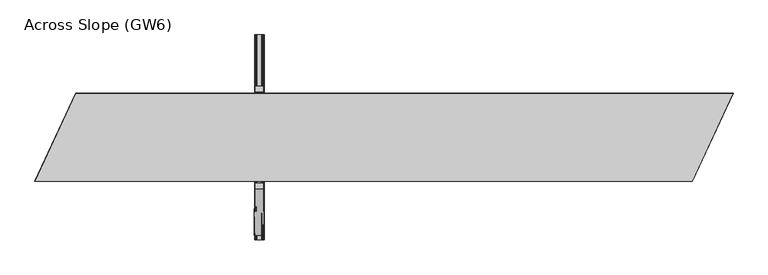
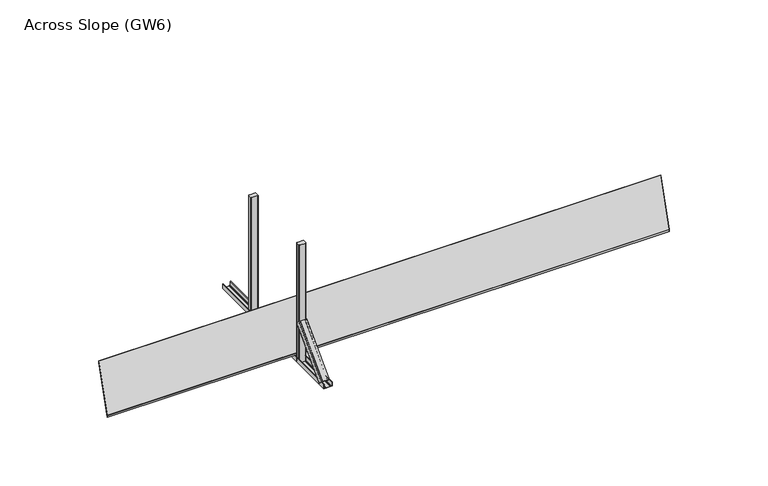
"""IFC4 building model written with IfcOpenShell, lengths in millimetres: proxy geometry, Across Slope (GW6)."""

import ifcopenshell
import ifcopenshell.guid

model = None  # the IFC model being written
_history = None  # IfcOwnerHistory: only IFC2X3 demands one
_inside = {}  # id of a spatial element -> (the spatial element, [elements in it])
_under = {}  # id of a project, library or spatial element -> (it, [spatial elements below it])
_declared = {}  # id of a project -> (the project, [libraries it declares])
_typed = {}  # id of a type object -> (the type object, [elements of that type])
_made_of = {}  # id of a material, layer set ... -> (it, [elements and type objects made of it])


def new_model(schema):
    """Start an empty IFC model of exactly this schema.

    Asked for "IFC4X3", IfcOpenShell would pick the latest addendum, in which some entities
    have other attributes; the version numbers below select the first issue.
    IFC2X3 requires an IfcOwnerHistory on every rooted entity: one is made here for all.
    """
    global model, _history
    if schema == "IFC4X3":
        model = ifcopenshell.file(schema_version=(4, 3, 0, 0))
    else:
        model = ifcopenshell.file(schema=schema)
    _inside.clear()
    _under.clear()
    _declared.clear()
    _typed.clear()
    _made_of.clear()
    _history = None
    if model.schema == "IFC2X3":
        org = make("IfcOrganization", Name="unknown")
        user = make(
            "IfcPersonAndOrganization",
            ThePerson=make("IfcPerson", FamilyName="unknown"),
            TheOrganization=org,
        )
        app = make(
            "IfcApplication",
            ApplicationDeveloper=org,
            Version="unknown",
            ApplicationFullName="unknown",
            ApplicationIdentifier="unknown",
        )
        _history = make(
            "IfcOwnerHistory",
            OwningUser=user,
            OwningApplication=app,
            ChangeAction="ADDED",
            CreationDate=0,
        )
    return model


def make(cls, **values):
    """One entity of the class cls with the attributes given. An attribute that is None is left unset."""
    return model.create_entity(
        cls, **{name: value for name, value in values.items() if value is not None}
    )


def rooted(cls, **values):
    """An entity with a GlobalId (a new one), such as an element, a storey or a relation."""
    return make(cls, GlobalId=ifcopenshell.guid.new(), OwnerHistory=_history, **values)


def si_unit(unit_type, name, prefix=None):
    """IfcSIUnit, for example si_unit("LENGTHUNIT", "METRE", prefix="MILLI")."""
    return make("IfcSIUnit", UnitType=unit_type, Prefix=prefix, Name=name)


def assignment(units):
    """IfcUnitAssignment: the units of a project."""
    return None if units is None else make("IfcUnitAssignment", Units=units)


def point(xyz):
    """IfcCartesianPoint."""
    return None if xyz is None else make("IfcCartesianPoint", Coordinates=xyz)


def direction(xyz):
    """IfcDirection."""
    return None if xyz is None else make("IfcDirection", DirectionRatios=xyz)


def frame(location, z_axis=None, x_axis=None):
    """IfcAxis2Placement3D, a coordinate frame: its origin and axes. An axis left out is left unset."""
    return make(
        "IfcAxis2Placement3D",
        Location=point(location),
        Axis=direction(z_axis),
        RefDirection=direction(x_axis),
    )


def frame_2d(location, x_axis=None):
    """IfcAxis2Placement2D, a coordinate frame in the plane: its origin and x axis."""
    return make(
        "IfcAxis2Placement2D", Location=point(location), RefDirection=direction(x_axis)
    )


def origin():
    """The frame at (0, 0, 0) with its axes left unset."""
    return frame((0.0, 0.0, 0.0))


def origin_with_axes():
    """The frame at (0, 0, 0) with the z axis (0, 0, 1) and the x axis (1, 0, 0) written out."""
    return frame((0.0, 0.0, 0.0), z_axis=(0.0, 0.0, 1.0), x_axis=(1.0, 0.0, 0.0))


def place(relative_to, where):
    """IfcLocalPlacement: puts the frame where relative to a parent placement (None: the world)."""
    return make(
        "IfcLocalPlacement", PlacementRelTo=relative_to, RelativePlacement=where
    )


def context(
    kind, dimensions, precision=None, world=None, true_north=None, identifier=None
):
    """IfcGeometricRepresentationContext, for example the 3D "Model" context."""
    return make(
        "IfcGeometricRepresentationContext",
        ContextIdentifier=identifier,
        ContextType=kind,
        CoordinateSpaceDimension=dimensions,
        Precision=precision,
        WorldCoordinateSystem=world,
        TrueNorth=true_north,
    )


def project(units=None, contexts=None):
    """IfcProject with its units and contexts."""
    return rooted(
        "IfcProject",
        Name="project",
        RepresentationContexts=contexts,
        UnitsInContext=assignment(units),
    )


def spatial(cls, under=None, at=None, **own):
    """A site, building, storey or space (cls), placed at a placement, below another one or the project."""
    s = rooted(cls, ObjectPlacement=at, **own)
    if under is not None:
        _under.setdefault(under.id(), (under, []))[1].append(s)
    return s


def polyline(points):
    """IfcPolyline through the points."""
    return make("IfcPolyline", Points=[point(p) for p in points])


def circle_curve(where, radius):
    """IfcCircle in the frame where."""
    return make("IfcCircle", Position=where, Radius=radius)


def trimmed(basis, trim1, trim2, sense, master):
    """IfcTrimmedCurve: the piece of a basis curve between two trims."""
    return make(
        "IfcTrimmedCurve",
        BasisCurve=basis,
        Trim1=trim1,
        Trim2=trim2,
        SenseAgreement=sense,
        MasterRepresentation=master,
    )


def segment(curve, same_sense, transition):
    """IfcCompositeCurveSegment."""
    return make(
        "IfcCompositeCurveSegment",
        Transition=transition,
        SameSense=same_sense,
        ParentCurve=curve,
    )


def composite_curve(segments, self_intersect=None):
    """IfcCompositeCurve: segments joined end to end."""
    return make("IfcCompositeCurve", Segments=segments, SelfIntersect=self_intersect)


def outline(outer, holes=None, kind="AREA"):
    """IfcArbitraryClosedProfileDef: a profile drawn as a closed curve; with holes, ...WithVoids."""
    if holes is None:
        return make("IfcArbitraryClosedProfileDef", ProfileType=kind, OuterCurve=outer)
    return make(
        "IfcArbitraryProfileDefWithVoids",
        ProfileType=kind,
        OuterCurve=outer,
        InnerCurves=holes,
    )


def extrude(swept, where, along, depth):
    """IfcExtrudedAreaSolid: the profile swept, set in the frame where, extruded along a direction by depth."""
    return make(
        "IfcExtrudedAreaSolid",
        SweptArea=swept,
        Position=where,
        ExtrudedDirection=direction(along),
        Depth=depth,
    )


def shape(context_of_items, identifier, shape_type, items):
    """IfcShapeRepresentation: the items that make up one representation, for example the "Body"."""
    return make(
        "IfcShapeRepresentation",
        ContextOfItems=context_of_items,
        RepresentationIdentifier=identifier,
        RepresentationType=shape_type,
        Items=items,
    )


def source(mapping_origin, context_of_items, identifier, shape_type, items):
    """IfcRepresentationMap: a shape defined once, which mapped items show again and again."""
    return make(
        "IfcRepresentationMap",
        MappingOrigin=mapping_origin,
        MappedRepresentation=shape(context_of_items, identifier, shape_type, items),
    )


def transform(
    local_origin,
    x_axis=None,
    y_axis=None,
    z_axis=None,
    scale=None,
    scale2=None,
    scale3=None,
    uniform=True,
):
    """IfcCartesianTransformationOperator3D, or its non-uniform kind. x_axis, y_axis, z_axis: its Axis1, 2, 3."""
    if uniform:
        return make(
            "IfcCartesianTransformationOperator3D",
            Axis1=direction(x_axis),
            Axis2=direction(y_axis),
            LocalOrigin=point(local_origin),
            Scale=scale,
            Axis3=direction(z_axis),
        )
    return make(
        "IfcCartesianTransformationOperator3DnonUniform",
        Axis1=direction(x_axis),
        Axis2=direction(y_axis),
        LocalOrigin=point(local_origin),
        Scale=scale,
        Axis3=direction(z_axis),
        Scale2=scale2,
        Scale3=scale3,
    )


def mapped(mapping_source, mapping_target):
    """IfcMappedItem: shows the shape of a source again, moved by a transform."""
    return make(
        "IfcMappedItem", MappingSource=mapping_source, MappingTarget=mapping_target
    )


def made_of(thing, what):
    """Note that an element or type object is made of a material, layer set ...; save() writes the relation."""
    if what is not None:
        _made_of.setdefault(what.id(), (what, []))[1].append(thing)
    return thing


def element(
    cls,
    number,
    at=None,
    inside=None,
    cuts=None,
    type_object=None,
    material=None,
    context=None,
    identifier="Body",
    shape_type=None,
    held_by="IfcProductDefinitionShape",
    body=None,
    shapes=None,
    **own,
):
    """One element of the class cls, such as IfcWall. Its Tag is "e" and its number.

    at: its placement. inside: the storey or other place that contains it. cuts: it is an
    opening in that element (IfcRelVoidsElement). A single representation is given by context,
    identifier, shape_type and body (its items); several are given by shapes. held_by: the class
    of the entity that holds the representations. save() writes the other relations.
    """
    e = rooted(cls, Tag="e%d" % number, ObjectPlacement=at, **own)
    if body is not None:
        shapes = [shape(context, identifier, shape_type, body)]
    if shapes is not None:
        e.Representation = make(held_by, Representations=shapes)
    if inside is not None:
        _inside.setdefault(inside.id(), (inside, []))[1].append(e)
    if cuts is not None:
        rooted(
            "IfcRelVoidsElement", RelatingBuildingElement=cuts, RelatedOpeningElement=e
        )
    if type_object is not None:
        _typed.setdefault(type_object.id(), (type_object, []))[1].append(e)
    return made_of(e, material)


def aggregate(whole, parts):
    """IfcRelAggregates: a whole, such as a stair, and the parts it consists of."""
    return rooted("IfcRelAggregates", RelatingObject=whole, RelatedObjects=parts)


def save(model, path):
    """Write the relations noted so far, then the file.

    IfcRelAggregates (storeys below a building ...), IfcRelContainedInSpatialStructure (elements
    in a storey), IfcRelDefinesByType, IfcRelAssociatesMaterial and IfcRelDeclares: one each for
    every whole, place, type object, material and project.
    """
    for whole, parts in _under.values():
        aggregate(whole, parts)
    for where, things in _inside.values():
        rooted(
            "IfcRelContainedInSpatialStructure",
            RelatedElements=things,
            RelatingStructure=where,
        )
    for kind, things in _typed.values():
        rooted("IfcRelDefinesByType", RelatedObjects=things, RelatingType=kind)
    for what, things in _made_of.values():
        rooted("IfcRelAssociatesMaterial", RelatedObjects=things, RelatingMaterial=what)
    for by, libraries in _declared.values():
        rooted("IfcRelDeclares", RelatingContext=by, RelatedDefinitions=libraries)
    model.write(path)


def plane_surface(at):
    """IfcPlane: the flat surface through the origin of the frame at, square to its z axis."""
    return make("IfcPlane", Position=at)


def extruded_surface(curve, direction_of_extrusion, depth):
    """IfcSurfaceOfLinearExtrusion: the curve pushed along a direction by depth."""
    return make(
        "IfcSurfaceOfLinearExtrusion",
        SweptCurve=make("IfcArbitraryOpenProfileDef", ProfileType="CURVE", Curve=curve),
        ExtrudedDirection=direction(direction_of_extrusion),
        Depth=depth,
    )


def advanced_brep(points, edges, surfaces, faces):
    """IfcAdvancedBrep: a solid bounded by faces that lie on surfaces and meet in shared edges.

    An edge is (start, end): straight between two places in points (the first is 0);
    or (start, end, curve); or (start, end, curve, False) where it runs against its curve.
    A face is (place in surfaces, loops), or (place, loops, False) where it looks against
    its surface's normal. A loop lists edges by number (the first is 1), with a minus sign
    where the edge is run from its end to its start. The first loop is the outer one.
    """
    corners = [point(p) for p in points]
    vertices = [make("IfcVertexPoint", VertexGeometry=c) for c in corners]
    made = []
    for start, end, *more in edges:
        made.append(
            make(
                "IfcEdgeCurve",
                EdgeStart=vertices[start],
                EdgeEnd=vertices[end],
                EdgeGeometry=more[0] if more else make("IfcPolyline", Points=[corners[start], corners[end]]),
                SameSense=more[1] if len(more) > 1 else True,
            )
        )
    hull = []
    for where, loops, *sense in faces:
        bounds = []
        for j, loop in enumerate(loops):
            ring = [make("IfcOrientedEdge", EdgeElement=made[abs(k) - 1], Orientation=k > 0) for k in loop]
            bounds.append(
                make(
                    "IfcFaceOuterBound" if j == 0 else "IfcFaceBound",
                    Bound=make("IfcEdgeLoop", EdgeList=ring),
                    Orientation=True,
                )
            )
        hull.append(make("IfcAdvancedFace", Bounds=bounds, FaceSurface=surfaces[where], SameSense=sense[0] if sense else True))
    return make("IfcAdvancedBrep", Outer=make("IfcClosedShell", CfsFaces=hull))


def across_slope_gw6_7597f09c(model_context):
    return source(origin(), model_context, "Body", "SolidModel", [
        extrude(outline(composite_curve([segment(trimmed(circle_curve(frame_2d((1555.5, 45.5)), 5.0), [point((1555.5, 50.5))], [point((1560.5, 45.5))], False, "CARTESIAN"), True, "CONTINUOUS"), segment(polyline([(1560.5, 45.5), (1560.5, 17.5)]), True, "CONTINUOUS"), segment(trimmed(circle_curve(frame_2d((1555.5, 17.5)), 5.0), [point((1560.5, 17.5))], [point((1555.5, 12.5))], False, "CARTESIAN"), True, "CONTINUOUS"), segment(polyline([(1555.5, 12.5), (1509.5, 12.5)]), True, "CONTINUOUS"), segment(trimmed(circle_curve(frame_2d((1509.5, 17.5)), 5.0), [point((1509.5, 12.5))], [point((1504.5, 17.5))], False, "CARTESIAN"), True, "CONTINUOUS"), segment(polyline([(1504.5, 17.5), (1504.5, 45.5)]), True, "CONTINUOUS"), segment(trimmed(circle_curve(frame_2d((1509.5, 45.5)), 5.0), [point((1504.5, 45.5))], [point((1509.5, 50.5))], False, "CARTESIAN"), True, "CONTINUOUS"), segment(polyline([(1509.5, 50.5), (1555.5, 50.5)]), True, "CONTINUOUS")], self_intersect=False)), origin_with_axes(), (0.0, 0.0, 1.0), 998.0),
        extrude(outline(composite_curve([segment(trimmed(circle_curve(frame_2d((1555.5, -617.5)), 5.0), [point((1555.5, -612.5))], [point((1560.5, -617.5))], False, "CARTESIAN"), True, "CONTINUOUS"), segment(polyline([(1560.5, -617.5), (1560.5, -645.5)]), True, "CONTINUOUS"), segment(trimmed(circle_curve(frame_2d((1555.5, -645.5)), 5.0), [point((1560.5, -645.5))], [point((1555.5, -650.5))], False, "CARTESIAN"), True, "CONTINUOUS"), segment(polyline([(1555.5, -650.5), (1509.5, -650.5)]), True, "CONTINUOUS"), segment(trimmed(circle_curve(frame_2d((1509.5, -645.5)), 5.0), [point((1509.5, -650.5))], [point((1504.5, -645.5))], False, "CARTESIAN"), True, "CONTINUOUS"), segment(polyline([(1504.5, -645.5), (1504.5, -617.5)]), True, "CONTINUOUS"), segment(trimmed(circle_curve(frame_2d((1509.5, -617.5)), 5.0), [point((1504.5, -617.5))], [point((1509.5, -612.5))], False, "CARTESIAN"), True, "CONTINUOUS"), segment(polyline([(1509.5, -612.5), (1555.5, -612.5)]), True, "CONTINUOUS")], self_intersect=False)), origin_with_axes(), (0.0, 0.0, 1.0), 998.0),
        advanced_brep(
        [(1497.0, -968.7087394, 38.0), (1497.0, -942.8993419, 12.1906025), (1500.0, -942.8993419, 12.1906025), (1500.0, -966.5874191, 35.8786797), (1510.0, -966.5874191, 35.8786797), (1510.0, -964.8196521, 34.1109127), (1511.0, -964.8196521, 34.1109127), (1511.0, -966.5874191, 35.8786797), (1548.0, -966.5874191, 35.8786797), (1548.0, -964.8196521, 34.1109127), (1549.0, -964.8196521, 34.1109127), (1549.0, -966.5874191, 35.8786797), (1559.0, -966.5874191, 35.8786797), (1559.0, -942.8993419, 12.1906025), (1562.0, -942.8993419, 12.1906025), (1562.0, -968.7087394, 38.0), (1500.0, -650.5106879, 356.1980515), (1565.0, -650.5106879, 356.1980515), (1565.0, -624.7012904, 330.388654), (1562.0, -624.7012904, 330.388654), (1562.0, -648.3893676, 354.0767312), (1552.0, -648.3893676, 354.0767312), (1552.0, -646.6216006, 352.3089642), (1551.0, -646.6216006, 352.3089642), (1551.0, -648.3893676, 354.0767312), (1514.0, -648.3893676, 354.0767312), (1514.0, -646.6216006, 352.3089642), (1513.0, -646.6216006, 352.3089642), (1513.0, -648.3893676, 354.0767312), (1503.0, -648.3893676, 354.0767312), (1503.0, -624.7012904, 330.388654), (1500.0, -624.7012904, 330.388654)],
        [
            (0, 1),
            (1, 2, circle_curve(frame((1498.5, -942.8993419, 12.1906025), z_axis=(0.0, -0.7071067811865432, -0.7071067811865519), x_axis=(0.0, 0.7071067811865519, -0.7071067811865432)), 1.5)),
            (2, 3),
            (3, 4),
            (4, 5),
            (5, 6, circle_curve(frame((1510.5, -964.8196521, 34.1109127), z_axis=(0.0, -0.7071067811865432, -0.7071067811865519), x_axis=(0.0, 0.7071067811865519, -0.7071067811865432)), 0.5)),
            (6, 7),
            (7, 8),
            (8, 9),
            (9, 10, circle_curve(frame((1548.5, -964.8196521, 34.1109127), z_axis=(0.0, -0.7071067811865432, -0.7071067811865519), x_axis=(0.0, 0.7071067811865519, -0.7071067811865432)), 0.5)),
            (10, 11),
            (11, 12),
            (12, 13),
            (13, 14, circle_curve(frame((1560.5, -942.8993419, 12.1906025), z_axis=(0.0, -0.7071067811865432, -0.7071067811865519), x_axis=(0.0, 0.7071067811865519, -0.7071067811865432)), 1.5)),
            (14, 15),
            (15, 0),
            (16, 17),
            (17, 18),
            (18, 19, circle_curve(frame((1563.5, -624.7012904, 330.388654), z_axis=(0.0, 0.7071067811865432, 0.7071067811865519), x_axis=(0.0, 0.7071067811865519, -0.7071067811865432)), 1.5)),
            (19, 20),
            (20, 21),
            (21, 22),
            (22, 23, circle_curve(frame((1551.5, -646.6216006, 352.3089642), z_axis=(0.0, 0.7071067811865432, 0.7071067811865519), x_axis=(0.0, 0.7071067811865519, -0.7071067811865432)), 0.5)),
            (23, 24),
            (24, 25),
            (25, 26),
            (26, 27, circle_curve(frame((1513.5, -646.6216006, 352.3089642), z_axis=(0.0, 0.7071067811865432, 0.7071067811865519), x_axis=(0.0, 0.7071067811865519, -0.7071067811865432)), 0.5)),
            (27, 28),
            (28, 29),
            (29, 30),
            (30, 31, circle_curve(frame((1501.5, -624.7012904, 330.388654), z_axis=(0.0, 0.7071067811865432, 0.7071067811865519), x_axis=(0.0, 0.7071067811865519, -0.7071067811865432)), 1.5)),
            (31, 16),
            (31, 1),
            (0, 16),
            (30, 2),
            (29, 3),
            (28, 4),
            (27, 5),
            (26, 6),
            (25, 7),
            (24, 8),
            (23, 9),
            (22, 10),
            (21, 11),
            (20, 12),
            (19, 13),
            (18, 14),
            (17, 15),
        ],
        [
            plane_surface(frame((1529.5, -960.4886231, 29.7798837), z_axis=(0.0, -0.707106781186543, -0.7071067811865521), x_axis=(0.0, 0.7071067811865521, -0.707106781186543))),
            plane_surface(frame((1532.5, -642.2905716, 347.9779352), z_axis=(0.0, 0.7071067811865432, 0.7071067811865519), x_axis=(0.0, 0.7071067811865519, -0.7071067811865432))),
            plane_surface(frame((1500.0, -637.6059891, 343.2933528), z_axis=(-0.9999777785184912, 0.004713940454842057, 0.004713940454841993), x_axis=(0.0, 0.7071067811865521, -0.707106781186543))),
            extruded_surface(trimmed(circle_curve(frame((1501.5, -624.7012904, 330.388654), z_axis=(0.0, -0.7071067811865432, -0.7071067811865519), x_axis=(0.0, 0.7071067811865519, -0.7071067811865432)), 1.5), [point((1500.0, -624.7012904, 330.388654))], [point((1503.0, -624.7012904, 330.388654))], True, "CARTESIAN"), (-3.0, -318.1980515, -318.19805149999996), 450.009999840885),
            plane_surface(frame((1503.0, -636.545329, 342.2326926), z_axis=(0.9999777785184912, -0.004713940454842057, -0.004713940454841993), x_axis=(0.0, -0.7071067811865521, 0.707106781186543))),
            plane_surface(frame((1508.0, -648.3893676, 354.0767312), z_axis=(0.0, 0.7071067811865525, -0.7071067811865427), x_axis=(1.0, 0.0, 0.0))),
            plane_surface(frame((1513.0, -647.5054841, 353.1928477), z_axis=(-0.9999777785184911, 0.004713940454842033, 0.004713940454842016), x_axis=(0.0, 0.7071067811865557, -0.7071067811865394))),
            extruded_surface(trimmed(circle_curve(frame((1513.5, -646.6216006, 352.3089642), z_axis=(0.0, -0.7071067811865432, -0.7071067811865519), x_axis=(0.0, 0.7071067811865519, -0.7071067811865432)), 0.5), [point((1513.0, -646.6216006, 352.3089642))], [point((1514.0, -646.6216006, 352.3089642))], True, "CARTESIAN"), (-3.0, -318.1980515, -318.1980515), 450.00999984088503),
            plane_surface(frame((1514.0, -647.5054841, 353.1928477), z_axis=(0.9999777785184911, -0.004713940454842045, -0.004713940454842029), x_axis=(0.0, -0.7071067811865557, 0.7071067811865394))),
            plane_surface(frame((1532.5, -648.3893676, 354.0767312), z_axis=(0.0, 0.7071067811865525, -0.7071067811865427), x_axis=(1.0, 0.0, 0.0))),
            plane_surface(frame((1551.0, -647.5054841, 353.1928477), z_axis=(-0.9999777785184911, 0.004713940454842039, 0.004713940454842022), x_axis=(0.0, 0.7071067811865557, -0.7071067811865394))),
            extruded_surface(trimmed(circle_curve(frame((1551.5, -646.6216006, 352.3089642), z_axis=(0.0, -0.7071067811865432, -0.7071067811865519), x_axis=(0.0, 0.7071067811865519, -0.7071067811865432)), 0.5), [point((1551.0, -646.6216006, 352.3089642))], [point((1552.0, -646.6216006, 352.3089642))], True, "CARTESIAN"), (-3.0, -318.1980515, -318.1980515), 450.00999984088503),
            plane_surface(frame((1552.0, -647.5054841, 353.1928477), z_axis=(0.9999777785184911, -0.004713940454842066, -0.004713940454841994), x_axis=(0.0, -0.7071067811865515, 0.7071067811865436))),
            plane_surface(frame((1557.0, -648.3893676, 354.0767312), z_axis=(0.0, 0.7071067811865522, -0.707106781186543), x_axis=(1.0, 0.0, 0.0))),
            plane_surface(frame((1562.0, -636.545329, 342.2326926), z_axis=(-0.9999777785184911, 0.004713940454842064, 0.004713940454841998), x_axis=(0.0, 0.707106781186552, -0.7071067811865431))),
            extruded_surface(trimmed(circle_curve(frame((1563.5, -624.7012904, 330.388654), z_axis=(0.0, -0.7071067811865432, -0.7071067811865519), x_axis=(0.0, 0.7071067811865519, -0.7071067811865432)), 1.5), [point((1562.0, -624.7012904, 330.388654))], [point((1565.0, -624.7012904, 330.388654))], True, "CARTESIAN"), (-3.0, -318.1980515, -318.19805149999996), 450.009999840885),
            plane_surface(frame((1565.0, -637.6059891, 343.2933528), z_axis=(0.9999777785184913, -0.004713940454842066, -0.004713940454841998), x_axis=(0.0, -0.7071067811865519, 0.7071067811865432))),
            plane_surface(frame((1532.5, -650.5106879, 356.1980515), z_axis=(0.0, -0.7071067811865526, 0.7071067811865427), x_axis=(-1.0, 0.0, 0.0))),
        ],
        [
            (0, [[1, 2, 3, 4, 5, 6, 7, 8, 9, 10, 11, 12, 13, 14, 15, 16]]),
            (1, [[17, 18, 19, 20, 21, 22, 23, 24, 25, 26, 27, 28, 29, 30, 31, 32]]),
            (2, [[-32, 33, -1, 34]]),
            (3, [[-31, 35, -2, -33]]),
            (4, [[-30, 36, -3, -35]]),
            (5, [[-29, 37, -4, -36]]),
            (6, [[-28, 38, -5, -37]]),
            (7, [[-27, 39, -6, -38]]),
            (8, [[-26, 40, -7, -39]]),
            (9, [[-25, 41, -8, -40]]),
            (10, [[-24, 42, -9, -41]]),
            (11, [[-23, 43, -10, -42]]),
            (12, [[-22, 44, -11, -43]]),
            (13, [[-21, 45, -12, -44]]),
            (14, [[-20, 46, -13, -45]]),
            (15, [[-19, 47, -14, -46]]),
            (16, [[-18, 48, -15, -47]]),
            (17, [[-17, -34, -16, -48]]),
        ],
    ),
        extrude(outline(composite_curve([segment(polyline([(0.0, 1500.0), (0.0, 1565.0), (36.5, 1565.0)]), True, "CONTINUOUS"), segment(trimmed(circle_curve(frame_2d((36.5, 1563.5)), 1.5), [point((36.5, 1565.0))], [point((36.5, 1562.0))], False, "CARTESIAN"), True, "CONTINUOUS"), segment(polyline([(36.5, 1562.0), (3.0, 1562.0), (3.0, 1552.0), (5.5, 1552.0)]), True, "CONTINUOUS"), segment(trimmed(circle_curve(frame_2d((5.5, 1551.5)), 0.5), [point((5.5, 1552.0))], [point((5.5, 1551.0))], False, "CARTESIAN"), True, "CONTINUOUS"), segment(polyline([(5.5, 1551.0), (3.0, 1551.0), (3.0, 1514.0), (5.5, 1514.0)]), True, "CONTINUOUS"), segment(trimmed(circle_curve(frame_2d((5.5, 1513.5)), 0.5), [point((5.5, 1514.0))], [point((5.5, 1513.0))], False, "CARTESIAN"), True, "CONTINUOUS"), segment(polyline([(5.5, 1513.0), (3.0, 1513.0), (3.0, 1503.0), (36.5, 1503.0)]), True, "CONTINUOUS"), segment(trimmed(circle_curve(frame_2d((36.5, 1501.5)), 1.5), [point((36.5, 1503.0))], [point((36.5, 1500.0))], False, "CARTESIAN"), True, "CONTINUOUS"), segment(polyline([(36.5, 1500.0), (0.0, 1500.0)]), True, "CONTINUOUS")], self_intersect=False)), frame((0.0, -1000.0, 0.0), z_axis=(0.0, 1.0, 0.0), x_axis=(0.0, 0.0, 1.0)), (0.0, 0.0, 1.0), 1400.0),
        extrude(outline(polyline([(4767.3549356, -1.0), (4488.502956, -599.0), (1.5696856, -599.0), (280.4216652, -1.0), (4767.3549356, -1.0)])), frame((0.0, 0.0, 42.0), z_axis=(0.0, 0.0, 1.0), x_axis=(1.0, 0.0, 0.0)), (0.0, 0.0, 1.0), 13.0),
        extrude(outline(polyline([(4768.9246212, 0.0), (4489.1400263, -600.0), (0.0, -600.0), (279.7845949, 0.0), (4768.9246212, 0.0)]), holes=[polyline([(4767.3549356, -1.0), (280.4216652, -1.0), (1.5696856, -599.0), (4488.502956, -599.0), (4767.3549356, -1.0)])]), frame((0.0, 0.0, 42.0), z_axis=(0.0, 0.0, 1.0), x_axis=(1.0, 0.0, 0.0)), (0.0, 0.0, 1.0), 13.0),
    ])


if __name__ == "__main__":
    model = new_model("IFC4")
    model_context = context("Model", 3, world=origin())
    ifc_project = project(units=[si_unit("LENGTHUNIT", "METRE", prefix="MILLI")], contexts=[model_context])
    site = spatial("IfcSite", under=ifc_project)
    building = spatial("IfcBuilding", under=site)
    placement = place(None, origin())
    across_slope_gw6_shape = across_slope_gw6_7597f09c(model_context)
    element("IfcBuildingElementProxy", 1, Name="Across Slope (GW6)", ObjectType="Across Slope (GW6)", at=placement, inside=building, context=model_context, shape_type="MappedRepresentation", body=[
        mapped(across_slope_gw6_shape, transform((0.0, 0.0, 0.0), x_axis=(1.0, 0.0, 0.0), y_axis=(0.0, 1.0, 0.0), z_axis=(0.0, 0.0, 1.0))),
    ])
    save(model, "model.ifc")
